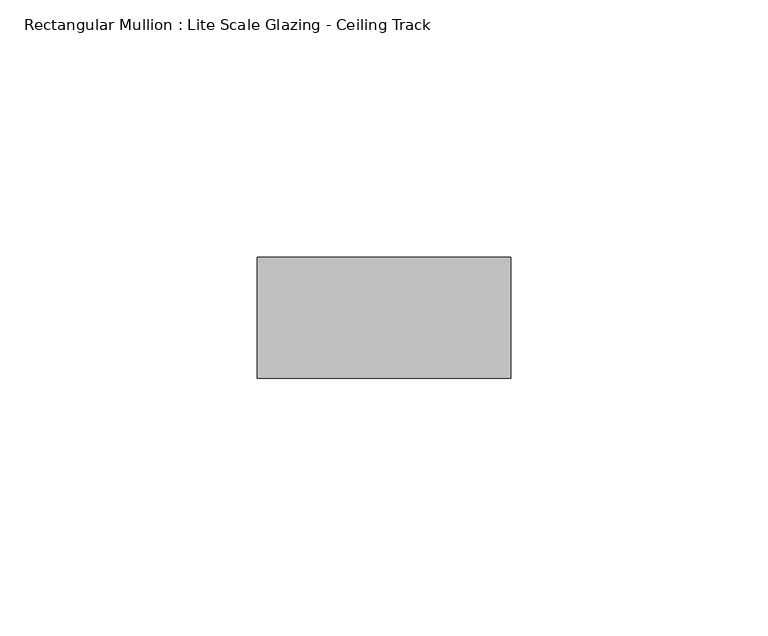
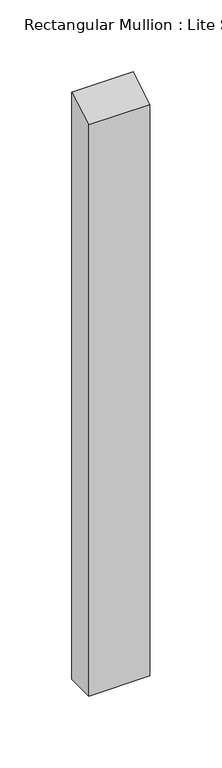
"""IFC4 building model written with IfcOpenShell, lengths in millimetres: member geometry, Rectangular Mullion : Lite Scale Glazing - Ceiling Track."""

from ifc_helpers import new_model, si_unit, frame, origin, place, context, project, spatial, polyline, outline, extrude, source, transform, mapped, element, save


def rectangular_mullion_lite_scale_glazing_ceiling_track_4a672142(model_context):
    return source(origin(), model_context, "Body", "SweptSolid", [
        extrude(outline(polyline([(-11.7474999, -6.7824222), (11.7474999, 6.7824222), (11.7474999, -492.6128949), (-11.7474999, -492.6128949), (-11.7474999, -6.7824222)])), frame((-49.276, 0.0, 0.0), z_axis=(1.0, 0.0, 0.0), x_axis=(0.0, 1.0, 0.0)), (0.0, 0.0, 1.0), 49.276),
    ])


if __name__ == "__main__":
    model = new_model("IFC4")
    model_context = context("Model", 3, world=origin())
    ifc_project = project(units=[si_unit("LENGTHUNIT", "METRE", prefix="MILLI")], contexts=[model_context])
    site = spatial("IfcSite", under=ifc_project)
    building = spatial("IfcBuilding", under=site)
    placement = place(None, origin())
    rectangular_mullion_lite_scale_glazing_ceiling_track_shape = rectangular_mullion_lite_scale_glazing_ceiling_track_4a672142(model_context)
    element("IfcMember", 1, ObjectType="Rectangular Mullion : Lite Scale Glazing - Ceiling Track", at=placement, inside=building, context=model_context, shape_type="MappedRepresentation", body=[
        mapped(rectangular_mullion_lite_scale_glazing_ceiling_track_shape, transform((0.0, 0.0, 0.0), x_axis=(1.0, 0.0, 0.0), y_axis=(0.0, 1.0, 0.0), z_axis=(0.0, 0.0, 1.0))),
    ])
    save(model, "model.ifc")
